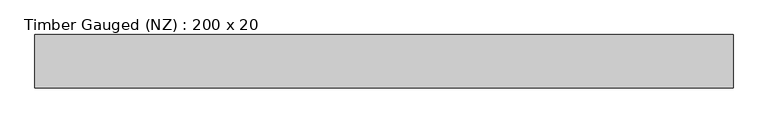
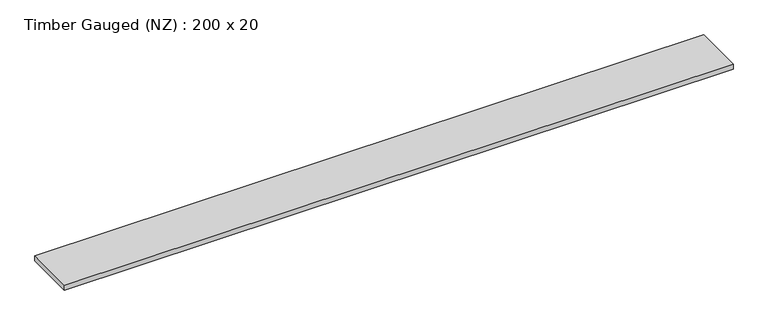
"""IFC4 building model written with IfcOpenShell, lengths in millimetres: beam geometry, Timber Gauged (NZ) : 200 x 20."""

from ifc_helpers import new_model, si_unit, frame, origin, place, context, project, spatial, polyline, outline, extrude, source, transform, mapped, element, save


def timber_gauged_nz_200_x_20_781fe1b4(model_context):
    return source(origin(), model_context, "Body", "SweptSolid", [
        extrude(outline(polyline([(1422.5, -108.5), (-1422.5, -108.5), (-1422.5, 108.5), (1422.5, 108.5), (1422.5, -108.5)])), frame((0.0, 0.0, -11.0), z_axis=(0.0, 0.0, 1.0), x_axis=(1.0, 0.0, 0.0)), (0.0, 0.0, 1.0), 22.0),
    ])


if __name__ == "__main__":
    model = new_model("IFC4")
    model_context = context("Model", 3, world=origin())
    ifc_project = project(units=[si_unit("LENGTHUNIT", "METRE", prefix="MILLI")], contexts=[model_context])
    site = spatial("IfcSite", under=ifc_project)
    building = spatial("IfcBuilding", under=site)
    placement = place(None, origin())
    timber_gauged_nz_200_x_20_shape = timber_gauged_nz_200_x_20_781fe1b4(model_context)
    element("IfcBeam", 1, ObjectType="Timber Gauged (NZ) : 200 x 20", at=placement, inside=building, context=model_context, shape_type="MappedRepresentation", body=[
        mapped(timber_gauged_nz_200_x_20_shape, transform((0.0, 0.0, 0.0), x_axis=(1.0, 0.0, 0.0), y_axis=(0.0, 1.0, 0.0), z_axis=(0.0, 0.0, 1.0))),
    ])
    save(model, "model.ifc")
